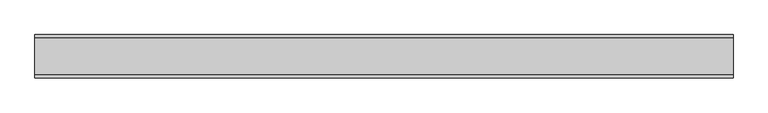
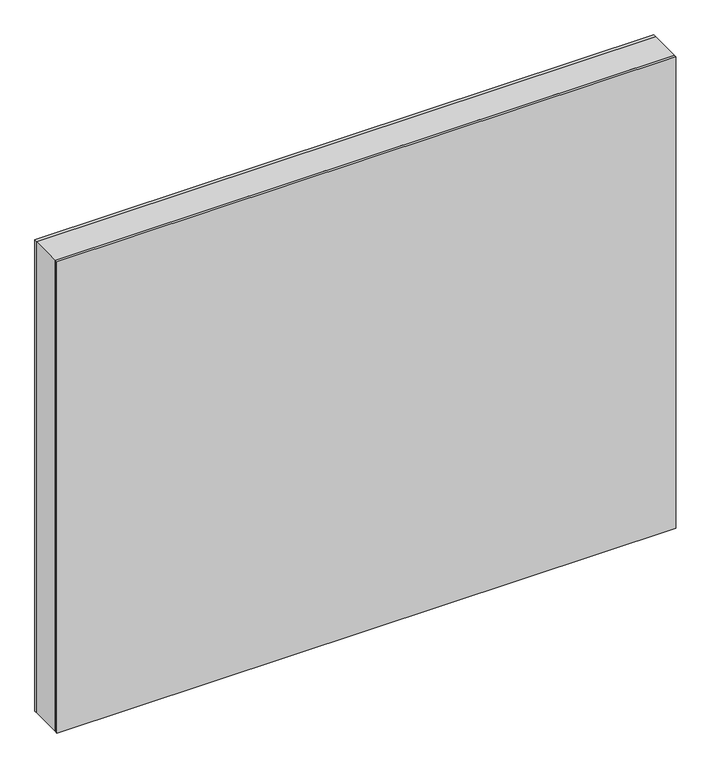
"""IFC4 building model written with IfcOpenShell, lengths in millimetres: plate geometry."""

from ifc_helpers import new_model, si_unit, frame, origin, origin_with_axes, place, context, project, spatial, polyline, outline, extrude, source, transform, mapped, element, save


def plate_92ecc68f(model_context):
    return source(origin(), model_context, "Body", "SweptSolid", [
        extrude(outline(polyline([(969.5, -602.1875001), (0.0, -602.1875001), (0.0, 602.1875001), (969.5, 602.1875001), (969.5, -602.1875001)]), holes=[polyline([(968.5, -601.1875001), (968.5, 601.1875001), (1.0, 601.1875001), (1.0, -601.1875001), (968.5, -601.1875001)])]), frame((0.0, -31.2, 0.0), z_axis=(0.0, 1.0, 0.0), x_axis=(0.0, 0.0, 1.0)), (0.0, 0.0, 1.0), 62.4),
        extrude(outline(polyline([(602.1875001, 31.2), (-602.1875001, 31.2), (-602.1875001, 37.2), (602.1875001, 37.2), (602.1875001, 31.2)])), origin_with_axes(), (0.0, 0.0, 1.0), 969.5),
        extrude(outline(polyline([(-602.1875001, -37.2), (-602.1875001, -31.2), (602.1875001, -31.2), (602.1875001, -37.2), (-602.1875001, -37.2)])), origin_with_axes(), (0.0, 0.0, 1.0), 969.5),
    ])


if __name__ == "__main__":
    model = new_model("IFC4")
    model_context = context("Model", 3, world=origin())
    ifc_project = project(units=[si_unit("LENGTHUNIT", "METRE", prefix="MILLI")], contexts=[model_context])
    site = spatial("IfcSite", under=ifc_project)
    building = spatial("IfcBuilding", under=site)
    placement = place(None, origin())
    plate_shape = plate_92ecc68f(model_context)
    element("IfcPlate", 1, at=placement, inside=building, context=model_context, shape_type="MappedRepresentation", body=[
        mapped(plate_shape, transform((0.0, 0.0, 0.0), x_axis=(1.0, 0.0, 0.0), y_axis=(0.0, 1.0, 0.0), z_axis=(0.0, 0.0, 1.0))),
    ])
    save(model, "model.ifc")
